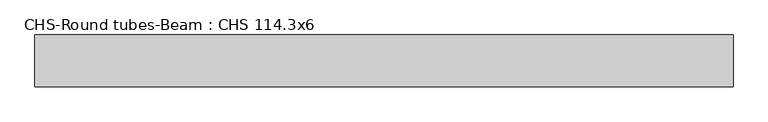
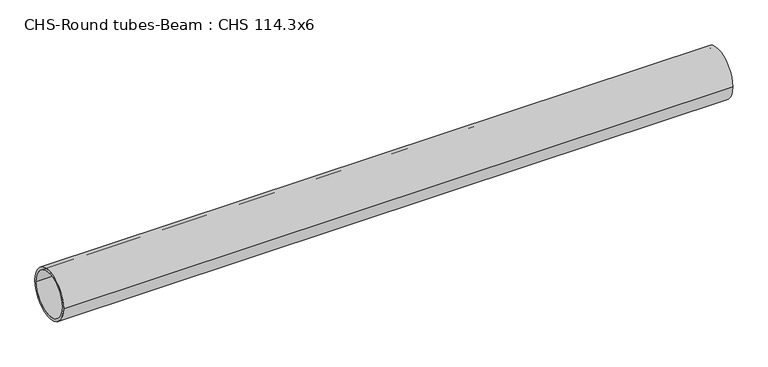
"""IFC4 building model written with IfcOpenShell, lengths in millimetres: beam geometry, CHS-Round tubes-Beam : CHS 114.3x6."""

from ifc_helpers import new_model, si_unit, point, frame, origin, origin_2d, place, context, project, spatial, circle_curve, trimmed, segment, composite_curve, outline, extrude, source, transform, mapped, element, save


def chs_round_tubes_beam_chs_114_3x6_31e88da2(model_context):
    return source(origin(), model_context, "Body", "SweptSolid", [
        extrude(outline(composite_curve([segment(trimmed(circle_curve(origin_2d(), 57.15), [point((57.15, 0.0))], [point((-57.15, 0.0))], False, "CARTESIAN"), True, "CONTINUOUS"), segment(trimmed(circle_curve(origin_2d(), 57.15), [point((-57.15, 0.0))], [point((57.15, 0.0))], False, "CARTESIAN"), True, "CONTINUOUS")], self_intersect=False), holes=[composite_curve([segment(trimmed(circle_curve(origin_2d(), 51.15), [point((51.15, 0.0))], [point((-51.15, 0.0))], True, "CARTESIAN"), True, "CONTINUOUS"), segment(trimmed(circle_curve(origin_2d(), 51.15), [point((-51.15, 0.0))], [point((51.15, 0.0))], True, "CARTESIAN"), True, "CONTINUOUS")], self_intersect=False)]), frame((-746.5127814, 0.0, 0.0), z_axis=(1.0, 0.0, 0.0), x_axis=(0.0, 1.0, 0.0)), (0.0, 0.0, 1.0), 1543.2122699),
    ])


if __name__ == "__main__":
    model = new_model("IFC4")
    model_context = context("Model", 3, world=origin())
    ifc_project = project(units=[si_unit("LENGTHUNIT", "METRE", prefix="MILLI")], contexts=[model_context])
    site = spatial("IfcSite", under=ifc_project)
    building = spatial("IfcBuilding", under=site)
    placement = place(None, origin())
    chs_round_tubes_beam_chs_114_3x6_shape = chs_round_tubes_beam_chs_114_3x6_31e88da2(model_context)
    element("IfcBeam", 1, ObjectType="CHS-Round tubes-Beam : CHS 114.3x6", at=placement, inside=building, context=model_context, shape_type="MappedRepresentation", body=[
        mapped(chs_round_tubes_beam_chs_114_3x6_shape, transform((0.0, 0.0, 0.0), x_axis=(1.0, 0.0, 0.0), y_axis=(0.0, 1.0, 0.0), z_axis=(0.0, 0.0, 1.0))),
    ])
    save(model, "model.ifc")
